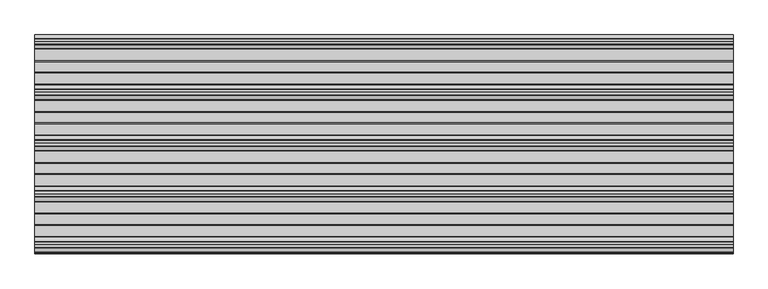
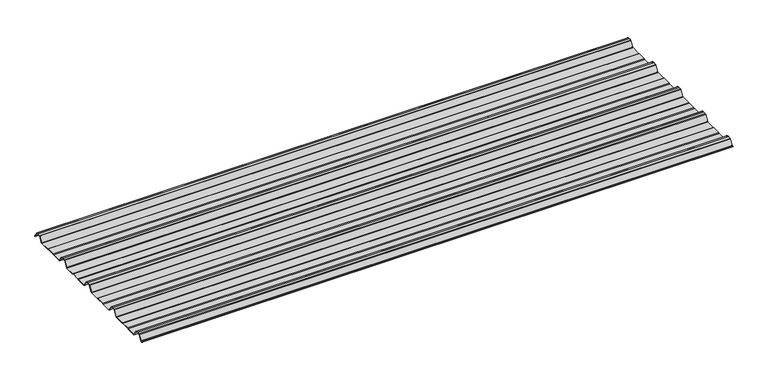
"""IFC4 building model written with IfcOpenShell, lengths in millimetres: beam geometry."""

from ifc_helpers import new_model, si_unit, point, frame, frame_2d, origin, place, context, project, spatial, polyline, circle_curve, trimmed, segment, composite_curve, outline, extrude, source, transform, mapped, element, save


def beam_1c965193(model_context):
    return source(origin(), model_context, "Body", "SweptSolid", [
        extrude(outline(composite_curve([segment(polyline([(-72.2377386, -25.7896475), (-76.3538889, -24.06703), (-113.6461111, -24.06703), (-117.7622614, -25.7896475), (-160.0, -25.7896475)]), True, "CONTINUOUS"), segment(trimmed(circle_curve(frame_2d((-159.2196788, -21.4509358)), 4.4083239), [point((-160.0, -25.7896475))], [point((-162.8209858, -23.9933574))], False, "CARTESIAN"), True, "CONTINUOUS"), segment(polyline([(-162.8209858, -23.9933574), (-178.3273257, -0.5940367)]), True, "CONTINUOUS"), segment(trimmed(circle_curve(frame_2d((-180.8929255, -2.3855242)), 3.1291741), [point((-178.3273257, -0.5940367))], [point((-179.9028031, 0.582874))], True, "CARTESIAN"), True, "CONTINUOUS"), segment(trimmed(circle_curve(frame_2d((-189.9940851, -29.8891871)), 32.0995402), [point((-179.9028031, 0.582874))], [point((-190.0, 2.2103525))], True, "CARTESIAN"), True, "CONTINUOUS"), segment(trimmed(circle_curve(frame_2d((-190.0059149, -29.8891871)), 32.0995402), [point((-190.0, 2.2103525))], [point((-200.0971969, 0.582874))], True, "CARTESIAN"), True, "CONTINUOUS"), segment(trimmed(circle_curve(frame_2d((-199.1070745, -2.3855242)), 3.1291741), [point((-200.0971969, 0.582874))], [point((-201.6726743, -0.5940367))], True, "CARTESIAN"), True, "CONTINUOUS"), segment(polyline([(-201.6726743, -0.5940367), (-217.1790142, -23.9933574)]), True, "CONTINUOUS"), segment(trimmed(circle_curve(frame_2d((-220.7803212, -21.4509358)), 4.4083239), [point((-217.1790142, -23.9933574))], [point((-220.0, -25.7896475))], False, "CARTESIAN"), True, "CONTINUOUS"), segment(polyline([(-220.0, -25.7896475), (-262.2377386, -25.7896475), (-266.3538889, -24.06703), (-303.6461111, -24.06703), (-307.7622614, -25.7896475), (-350.0, -25.7896475)]), True, "CONTINUOUS"), segment(trimmed(circle_curve(frame_2d((-349.2196788, -21.4509358)), 4.4083239), [point((-350.0, -25.7896475))], [point((-352.8209858, -23.9933574))], False, "CARTESIAN"), True, "CONTINUOUS"), segment(polyline([(-352.8209858, -23.9933574), (-368.3273257, -0.5940367)]), True, "CONTINUOUS"), segment(trimmed(circle_curve(frame_2d((-370.8929255, -2.3855242)), 3.1291741), [point((-368.3273257, -0.5940367))], [point((-369.9028031, 0.582874))], True, "CARTESIAN"), True, "CONTINUOUS"), segment(trimmed(circle_curve(frame_2d((-379.9940851, -29.8891871)), 32.0995402), [point((-369.9028031, 0.582874))], [point((-380.0, 2.2103525))], True, "CARTESIAN"), True, "CONTINUOUS"), segment(trimmed(circle_curve(frame_2d((-380.0059149, -29.8891871)), 32.0995402), [point((-380.0, 2.2103525))], [point((-390.0971969, 0.582874))], True, "CARTESIAN"), True, "CONTINUOUS"), segment(trimmed(circle_curve(frame_2d((-389.1070745, -2.3855242)), 3.1291741), [point((-390.0971969, 0.582874))], [point((-391.6726743, -0.5940367))], True, "CARTESIAN"), True, "CONTINUOUS"), segment(polyline([(-391.6726743, -0.5940367), (-407.1790142, -23.9933574)]), True, "CONTINUOUS"), segment(trimmed(circle_curve(frame_2d((-410.7803212, -21.4509358)), 4.4083239), [point((-407.1790142, -23.9933574))], [point((-410.0, -25.7896475))], False, "CARTESIAN"), True, "CONTINUOUS"), segment(polyline([(-410.0, -25.7896475), (-452.2377387, -25.7896475), (-456.3538889, -24.06703), (-493.6461111, -24.06703), (-497.7622614, -25.7896475), (-540.0, -25.7896475)]), True, "CONTINUOUS"), segment(trimmed(circle_curve(frame_2d((-539.2196788, -21.4509358)), 4.4083239), [point((-540.0, -25.7896475))], [point((-542.8209858, -23.9933574))], False, "CARTESIAN"), True, "CONTINUOUS"), segment(polyline([(-542.8209858, -23.9933574), (-558.3273257, -0.5940367)]), True, "CONTINUOUS"), segment(trimmed(circle_curve(frame_2d((-560.8929255, -2.3855242)), 3.1291741), [point((-558.3273257, -0.5940367))], [point((-559.9028031, 0.582874))], True, "CARTESIAN"), True, "CONTINUOUS"), segment(trimmed(circle_curve(frame_2d((-569.9940851, -29.8891871)), 32.0995402), [point((-559.9028031, 0.582874))], [point((-570.0, 2.2103525))], True, "CARTESIAN"), True, "CONTINUOUS"), segment(trimmed(circle_curve(frame_2d((-570.0059149, -29.8891871)), 32.0995402), [point((-570.0, 2.2103525))], [point((-580.0971969, 0.582874))], True, "CARTESIAN"), True, "CONTINUOUS"), segment(trimmed(circle_curve(frame_2d((-579.1070745, -2.3855242)), 3.1291741), [point((-580.0971969, 0.582874))], [point((-581.6726743, -0.5940367))], True, "CARTESIAN"), True, "CONTINUOUS"), segment(polyline([(-581.6726743, -0.5940367), (-597.1790142, -23.9933574)]), True, "CONTINUOUS"), segment(trimmed(circle_curve(frame_2d((-600.7803212, -21.4509358)), 4.4083239), [point((-597.1790142, -23.9933574))], [point((-600.0, -25.7896475))], False, "CARTESIAN"), True, "CONTINUOUS"), segment(polyline([(-600.0, -25.7896475), (-642.2377387, -25.7896475), (-646.3538889, -24.06703), (-683.6461111, -24.06703), (-687.7622614, -25.7896475), (-730.0, -25.7896475)]), True, "CONTINUOUS"), segment(trimmed(circle_curve(frame_2d((-729.2196788, -21.4509358)), 4.4083239), [point((-730.0, -25.7896475))], [point((-732.8209858, -23.9933574))], False, "CARTESIAN"), True, "CONTINUOUS"), segment(polyline([(-732.8209858, -23.9933574), (-748.3273257, -0.5940367)]), True, "CONTINUOUS"), segment(trimmed(circle_curve(frame_2d((-750.8929255, -2.3855242)), 3.1291741), [point((-748.3273257, -0.5940367))], [point((-749.9028031, 0.582874))], True, "CARTESIAN"), True, "CONTINUOUS"), segment(trimmed(circle_curve(frame_2d((-759.9940851, -29.8891871)), 32.0995402), [point((-749.9028031, 0.582874))], [point((-760.0, 2.2103525))], True, "CARTESIAN"), True, "CONTINUOUS"), segment(trimmed(circle_curve(frame_2d((-760.0059149, -29.8891871)), 32.0995402), [point((-760.0, 2.2103525))], [point((-770.0971969, 0.582874))], True, "CARTESIAN"), True, "CONTINUOUS"), segment(trimmed(circle_curve(frame_2d((-769.1070745, -2.3855242)), 3.1291741), [point((-770.0971969, 0.582874))], [point((-771.6726743, -0.5940367))], True, "CARTESIAN"), True, "CONTINUOUS"), segment(polyline([(-771.6726743, -0.5940367), (-785.8536479, -21.993358)]), True, "CONTINUOUS"), segment(trimmed(circle_curve(frame_2d((-789.4549545, -19.4509358)), 4.4083239), [point((-785.8536479, -21.993358))], [point((-788.6746333, -23.7896475))], False, "CARTESIAN"), True, "CONTINUOUS"), segment(polyline([(-788.6746333, -23.7896475), (-792.3232685, -23.7896475)]), True, "CONTINUOUS"), segment(trimmed(circle_curve(frame_2d((-792.3232685, -23.2896475)), 0.5), [point((-792.3232685, -23.7896475))], [point((-792.3232685, -22.7896475))], False, "CARTESIAN"), True, "CONTINUOUS"), segment(polyline([(-792.3232685, -22.7896475), (-788.769625, -22.7896475)]), True, "CONTINUOUS"), segment(trimmed(circle_curve(frame_2d((-789.4549545, -19.4509358)), 3.4083239), [point((-788.769625, -22.7896475))], [point((-786.6785605, -21.42788))], True, "CARTESIAN"), True, "CONTINUOUS"), segment(polyline([(-786.6785605, -21.42788), (-772.5, -0.0322)]), True, "CONTINUOUS"), segment(trimmed(circle_curve(frame_2d((-769.1070745, -2.3855242)), 4.1291741), [point((-772.5, -0.0322))], [point((-770.41253, 1.5318556))], False, "CARTESIAN"), True, "CONTINUOUS"), segment(trimmed(circle_curve(frame_2d((-760.0059149, -29.8891871)), 33.0995402), [point((-770.41253, 1.5318556))], [point((-760.0, 3.2103525))], False, "CARTESIAN"), True, "CONTINUOUS"), segment(trimmed(circle_curve(frame_2d((-759.9940851, -29.8891871)), 33.0995402), [point((-760.0, 3.2103525))], [point((-749.58747, 1.5318556))], False, "CARTESIAN"), True, "CONTINUOUS"), segment(trimmed(circle_curve(frame_2d((-750.8929255, -2.3855242)), 4.1291741), [point((-749.58747, 1.5318556))], [point((-747.5, -0.0322))], False, "CARTESIAN"), True, "CONTINUOUS"), segment(polyline([(-747.5, -0.0322), (-732.1223092, -23.2373872)]), True, "CONTINUOUS"), segment(trimmed(circle_curve(frame_2d((-729.2196788, -21.4509358)), 3.4083239), [point((-732.1223092, -23.2373872))], [point((-729.9050084, -24.7896475))], True, "CARTESIAN"), True, "CONTINUOUS"), segment(polyline([(-729.9050084, -24.7896475), (-687.9630742, -24.7896475), (-683.846924, -23.06703), (-646.1530761, -23.06703), (-642.0369258, -24.7896475), (-600.0949917, -24.7896475)]), True, "CONTINUOUS"), segment(trimmed(circle_curve(frame_2d((-600.7803212, -21.4509358)), 3.4083239), [point((-600.0949917, -24.7896475))], [point((-597.8776908, -23.2373872))], True, "CARTESIAN"), True, "CONTINUOUS"), segment(polyline([(-597.8776908, -23.2373872), (-582.5, -0.0322)]), True, "CONTINUOUS"), segment(trimmed(circle_curve(frame_2d((-579.1070745, -2.3855242)), 4.1291741), [point((-582.5, -0.0322))], [point((-580.41253, 1.5318556))], False, "CARTESIAN"), True, "CONTINUOUS"), segment(trimmed(circle_curve(frame_2d((-570.0059149, -29.8891871)), 33.0995402), [point((-580.41253, 1.5318556))], [point((-570.0, 3.2103525))], False, "CARTESIAN"), True, "CONTINUOUS"), segment(trimmed(circle_curve(frame_2d((-569.9940851, -29.8891871)), 33.0995402), [point((-570.0, 3.2103525))], [point((-559.58747, 1.5318556))], False, "CARTESIAN"), True, "CONTINUOUS"), segment(trimmed(circle_curve(frame_2d((-560.8929255, -2.3855242)), 4.1291741), [point((-559.58747, 1.5318556))], [point((-557.5, -0.0322))], False, "CARTESIAN"), True, "CONTINUOUS"), segment(polyline([(-557.5, -0.0322), (-542.1223092, -23.2373872)]), True, "CONTINUOUS"), segment(trimmed(circle_curve(frame_2d((-539.2196788, -21.4509358)), 3.4083239), [point((-542.1223092, -23.2373872))], [point((-539.9050084, -24.7896475))], True, "CARTESIAN"), True, "CONTINUOUS"), segment(polyline([(-539.9050084, -24.7896475), (-497.9630742, -24.7896475), (-493.846924, -23.06703), (-456.1530761, -23.06703), (-452.0369258, -24.7896475), (-410.0949917, -24.7896475)]), True, "CONTINUOUS"), segment(trimmed(circle_curve(frame_2d((-410.7803212, -21.4509358)), 3.4083239), [point((-410.0949917, -24.7896475))], [point((-407.8776908, -23.2373872))], True, "CARTESIAN"), True, "CONTINUOUS"), segment(polyline([(-407.8776908, -23.2373872), (-392.5, -0.0322)]), True, "CONTINUOUS"), segment(trimmed(circle_curve(frame_2d((-389.1070745, -2.3855242)), 4.1291741), [point((-392.5, -0.0322))], [point((-390.41253, 1.5318556))], False, "CARTESIAN"), True, "CONTINUOUS"), segment(trimmed(circle_curve(frame_2d((-380.0059149, -29.8891871)), 33.0995402), [point((-390.41253, 1.5318556))], [point((-380.0, 3.2103525))], False, "CARTESIAN"), True, "CONTINUOUS"), segment(trimmed(circle_curve(frame_2d((-379.9940851, -29.8891871)), 33.0995402), [point((-380.0, 3.2103525))], [point((-369.58747, 1.5318556))], False, "CARTESIAN"), True, "CONTINUOUS"), segment(trimmed(circle_curve(frame_2d((-370.8929255, -2.3855242)), 4.1291741), [point((-369.58747, 1.5318556))], [point((-367.5, -0.0322))], False, "CARTESIAN"), True, "CONTINUOUS"), segment(polyline([(-367.5, -0.0322), (-352.1223092, -23.2373872)]), True, "CONTINUOUS"), segment(trimmed(circle_curve(frame_2d((-349.2196788, -21.4509358)), 3.4083239), [point((-352.1223092, -23.2373872))], [point((-349.9050084, -24.7896475))], True, "CARTESIAN"), True, "CONTINUOUS"), segment(polyline([(-349.9050084, -24.7896475), (-307.9630742, -24.7896475), (-303.846924, -23.06703), (-266.153076, -23.06703), (-262.0369258, -24.7896475), (-220.0949917, -24.7896475)]), True, "CONTINUOUS"), segment(trimmed(circle_curve(frame_2d((-220.7803212, -21.4509358)), 3.4083239), [point((-220.0949917, -24.7896475))], [point((-217.8776908, -23.2373872))], True, "CARTESIAN"), True, "CONTINUOUS"), segment(polyline([(-217.8776908, -23.2373872), (-202.5, -0.0322)]), True, "CONTINUOUS"), segment(trimmed(circle_curve(frame_2d((-199.1070745, -2.3855242)), 4.1291741), [point((-202.5, -0.0322))], [point((-200.41253, 1.5318556))], False, "CARTESIAN"), True, "CONTINUOUS"), segment(trimmed(circle_curve(frame_2d((-190.0059149, -29.8891871)), 33.0995402), [point((-200.41253, 1.5318556))], [point((-190.0, 3.2103525))], False, "CARTESIAN"), True, "CONTINUOUS"), segment(trimmed(circle_curve(frame_2d((-189.9940851, -29.8891871)), 33.0995402), [point((-190.0, 3.2103525))], [point((-179.58747, 1.5318556))], False, "CARTESIAN"), True, "CONTINUOUS"), segment(trimmed(circle_curve(frame_2d((-180.8929255, -2.3855242)), 4.1291741), [point((-179.58747, 1.5318556))], [point((-177.5, -0.0322))], False, "CARTESIAN"), True, "CONTINUOUS"), segment(polyline([(-177.5, -0.0322), (-162.1223092, -23.2373872)]), True, "CONTINUOUS"), segment(trimmed(circle_curve(frame_2d((-159.2196788, -21.4509358)), 3.4083239), [point((-162.1223092, -23.2373872))], [point((-159.9050084, -24.7896475))], True, "CARTESIAN"), True, "CONTINUOUS"), segment(polyline([(-159.9050084, -24.7896475), (-117.9630742, -24.7896475), (-113.846924, -23.06703), (-76.153076, -23.06703), (-72.0369258, -24.7896475), (-27.6957008, -24.7896475)]), True, "CONTINUOUS"), segment(trimmed(circle_curve(frame_2d((-28.3810303, -21.4509358)), 3.4083239), [point((-27.6957008, -24.7896475))], [point((-25.6046359, -23.4278795))], True, "CARTESIAN"), True, "CONTINUOUS"), segment(polyline([(-25.6046359, -23.4278795), (-10.8390947, -1.146436)]), True, "CONTINUOUS"), segment(trimmed(circle_curve(frame_2d((-9.2408211, -2.2055853)), 1.9173616), [point((-10.8390947, -1.146436))], [point((-9.7828223, -0.366425))], False, "CARTESIAN"), True, "CONTINUOUS"), segment(trimmed(circle_curve(frame_2d((-0.0059149, -29.8891871)), 31.0995402), [point((-9.7828223, -0.366425))], [point((0.0, 1.2103525))], False, "CARTESIAN"), True, "CONTINUOUS"), segment(trimmed(circle_curve(frame_2d((0.0059149, -29.8891871)), 31.0995402), [point((0.0, 1.2103525))], [point((9.7828223, -0.366425))], False, "CARTESIAN"), True, "CONTINUOUS"), segment(trimmed(circle_curve(frame_2d((9.2408211, -2.2055853)), 1.9173616), [point((9.7828223, -0.366425))], [point((10.8390947, -1.146436))], False, "CARTESIAN"), True, "CONTINUOUS"), segment(polyline([(10.8390947, -1.146436), (25.1846039, -22.7940443)]), True, "CONTINUOUS"), segment(trimmed(circle_curve(frame_2d((24.7678141, -23.0702439)), 0.5), [point((25.1846039, -22.7940443))], [point((24.3510243, -23.3464436))], False, "CARTESIAN"), True, "CONTINUOUS"), segment(polyline([(24.3510243, -23.3464436), (10.1734573, -1.9522629)]), True, "CONTINUOUS"), segment(trimmed(circle_curve(frame_2d((8.6614124, -2.9542699)), 1.8139178), [point((10.1734573, -1.9522629))], [point((9.071517, -1.18732))], True, "CARTESIAN"), True, "CONTINUOUS"), segment(trimmed(circle_curve(frame_2d((0.0059149, -29.8891871)), 30.0995402), [point((9.071517, -1.18732))], [point((0.0, 0.2103525))], True, "CARTESIAN"), True, "CONTINUOUS"), segment(trimmed(circle_curve(frame_2d((-0.0059149, -29.8891871)), 30.0995402), [point((0.0, 0.2103525))], [point((-9.071517, -1.18732))], True, "CARTESIAN"), True, "CONTINUOUS"), segment(trimmed(circle_curve(frame_2d((-8.6614124, -2.9542699)), 1.8139178), [point((-9.071517, -1.18732))], [point((-10.1734573, -1.9522629))], True, "CARTESIAN"), True, "CONTINUOUS"), segment(polyline([(-10.1734573, -1.9522629), (-24.7797233, -23.9933574)]), True, "CONTINUOUS"), segment(trimmed(circle_curve(frame_2d((-28.3810303, -21.4509358)), 4.4083239), [point((-24.7797233, -23.9933574))], [point((-27.6007091, -25.7896475))], False, "CARTESIAN"), True, "CONTINUOUS"), segment(polyline([(-27.6007091, -25.7896475), (-72.2377386, -25.7896475)]), True, "CONTINUOUS")], self_intersect=False)), frame((-1305.1332383, 0.0, 0.0), z_axis=(1.0, 0.0, 0.0), x_axis=(0.0, 1.0, 0.0)), (0.0, 0.0, 1.0), 2610.2664766),
    ])


if __name__ == "__main__":
    model = new_model("IFC4")
    model_context = context("Model", 3, world=origin())
    ifc_project = project(units=[si_unit("LENGTHUNIT", "METRE", prefix="MILLI")], contexts=[model_context])
    site = spatial("IfcSite", under=ifc_project)
    building = spatial("IfcBuilding", under=site)
    placement = place(None, origin())
    beam_shape = beam_1c965193(model_context)
    element("IfcBeam", 1, at=placement, inside=building, context=model_context, shape_type="MappedRepresentation", body=[
        mapped(beam_shape, transform((0.0, 0.0, 0.0), x_axis=(1.0, 0.0, 0.0), y_axis=(0.0, 1.0, 0.0), z_axis=(0.0, 0.0, 1.0))),
    ])
    save(model, "model.ifc")
